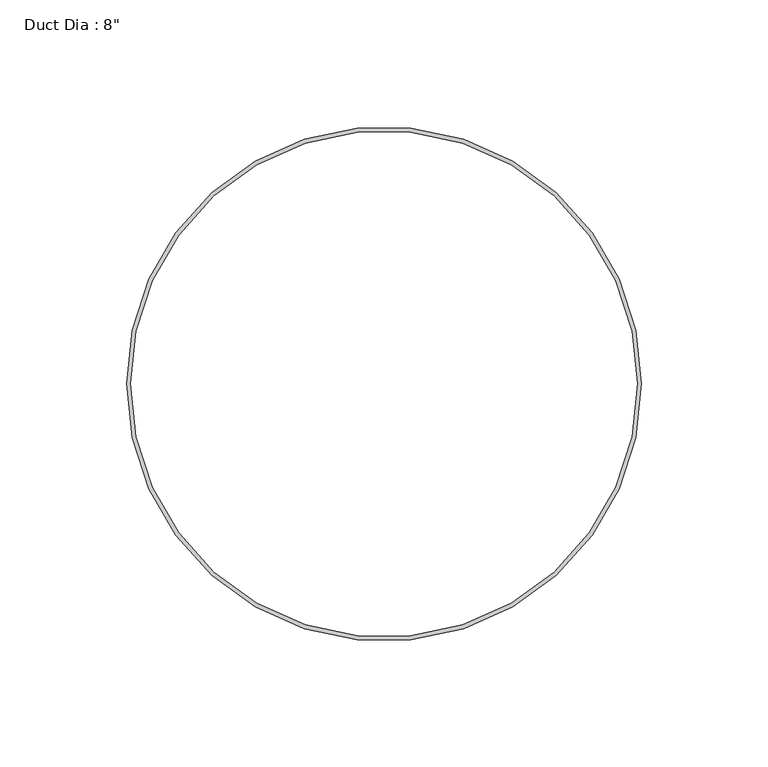
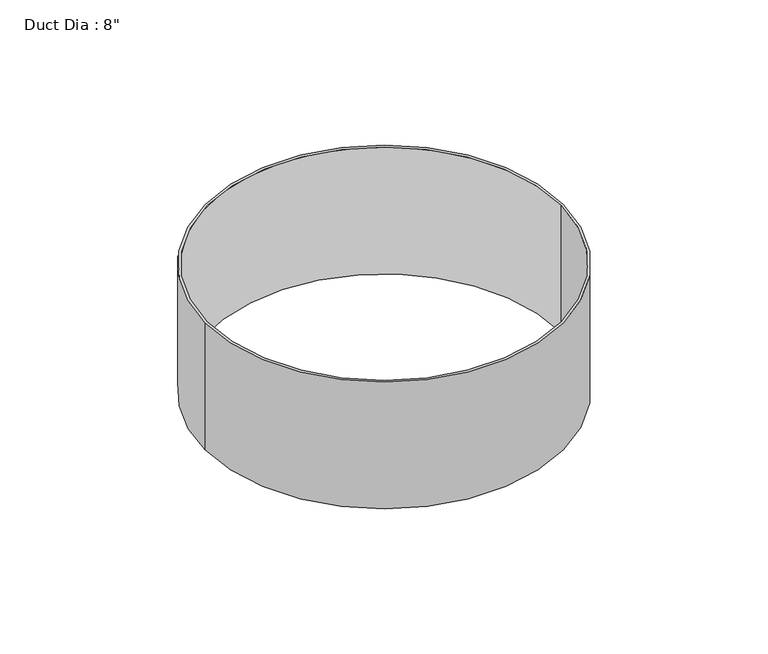
"""IFC4 building model written with IfcOpenShell, lengths in millimetres: proxy geometry."""

from ifc_helpers import new_model, si_unit, point, origin, origin_with_axes, origin_2d, place, context, project, spatial, circle_curve, trimmed, segment, composite_curve, outline, extrude, source, transform, mapped, element, save


def proxy_c1ec4327(model_context):
    return source(origin(), model_context, "Body", "SweptSolid", [
        extrude(outline(composite_curve([segment(trimmed(circle_curve(origin_2d(), 101.6), [point((-101.6, 0.0))], [point((101.6, 0.0))], False, "CARTESIAN"), True, "CONTINUOUS"), segment(trimmed(circle_curve(origin_2d(), 101.6), [point((101.6, 0.0))], [point((-101.6, 0.0))], False, "CARTESIAN"), True, "CONTINUOUS")], self_intersect=False), holes=[composite_curve([segment(trimmed(circle_curve(origin_2d(), 100.0125), [point((-100.0125, 0.0))], [point((100.0125, 0.0))], True, "CARTESIAN"), True, "CONTINUOUS"), segment(trimmed(circle_curve(origin_2d(), 100.0125), [point((100.0125, 0.0))], [point((-100.0125, 0.0))], True, "CARTESIAN"), True, "CONTINUOUS")], self_intersect=False)]), origin_with_axes(), (0.0, 0.0, 1.0), 76.2),
    ])


if __name__ == "__main__":
    model = new_model("IFC4")
    model_context = context("Model", 3, world=origin())
    ifc_project = project(units=[si_unit("LENGTHUNIT", "METRE", prefix="MILLI")], contexts=[model_context])
    site = spatial("IfcSite", under=ifc_project)
    building = spatial("IfcBuilding", under=site)
    placement = place(None, origin())
    proxy_shape = proxy_c1ec4327(model_context)
    element("IfcBuildingElementProxy", 1, Name="Duct Dia : 8\"", ObjectType="Duct Dia : 8\"", at=placement, inside=building, context=model_context, shape_type="MappedRepresentation", body=[
        mapped(proxy_shape, transform((0.0, 0.0, 0.0), x_axis=(1.0, 0.0, 0.0), y_axis=(0.0, 1.0, 0.0), z_axis=(0.0, 0.0, 1.0))),
    ])
    save(model, "model.ifc")
